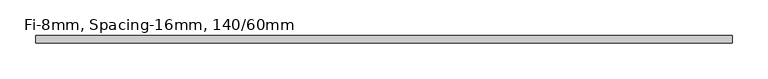
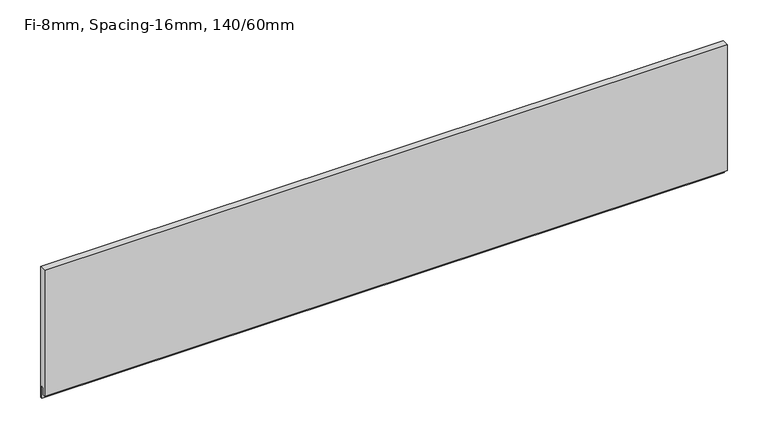
"""IFC4 building model written with IfcOpenShell, lengths in millimetres: plate geometry, Fi-8mm, Spacing-16mm, 140/60mm."""

from ifc_helpers import new_model, si_unit, frame, origin, place, context, project, spatial, polyline, outline, extrude, source, transform, mapped, element, save


def fi_8mm_spacing_16mm_140_60mm_66201031(model_context):
    return source(origin(), model_context, "Body", "SweptSolid", [
        extrude(outline(polyline([(5.0, 189.0), (5.0, -7.0), (2.0, -7.0), (2.0, 11.0), (-1.0, 11.0), (-1.0, 0.0), (-5.0, 0.0), (-5.0, 189.0), (5.0, 189.0)])), frame((-483.4, 0.0, 0.0), z_axis=(1.0, 0.0, 0.0), x_axis=(0.0, 1.0, 0.0)), (0.0, 0.0, 1.0), 966.8),
    ])


if __name__ == "__main__":
    model = new_model("IFC4")
    model_context = context("Model", 3, world=origin())
    ifc_project = project(units=[si_unit("LENGTHUNIT", "METRE", prefix="MILLI")], contexts=[model_context])
    site = spatial("IfcSite", under=ifc_project)
    building = spatial("IfcBuilding", under=site)
    placement = place(None, origin())
    fi_8mm_spacing_16mm_140_60mm_shape = fi_8mm_spacing_16mm_140_60mm_66201031(model_context)
    element("IfcPlate", 1, ObjectType="Fi-8mm, Spacing-16mm, 140/60mm", at=placement, inside=building, context=model_context, shape_type="MappedRepresentation", body=[
        mapped(fi_8mm_spacing_16mm_140_60mm_shape, transform((0.0, 0.0, 0.0), x_axis=(1.0, 0.0, 0.0), y_axis=(0.0, 1.0, 0.0), z_axis=(0.0, 0.0, 1.0))),
    ])
    save(model, "model.ifc")
